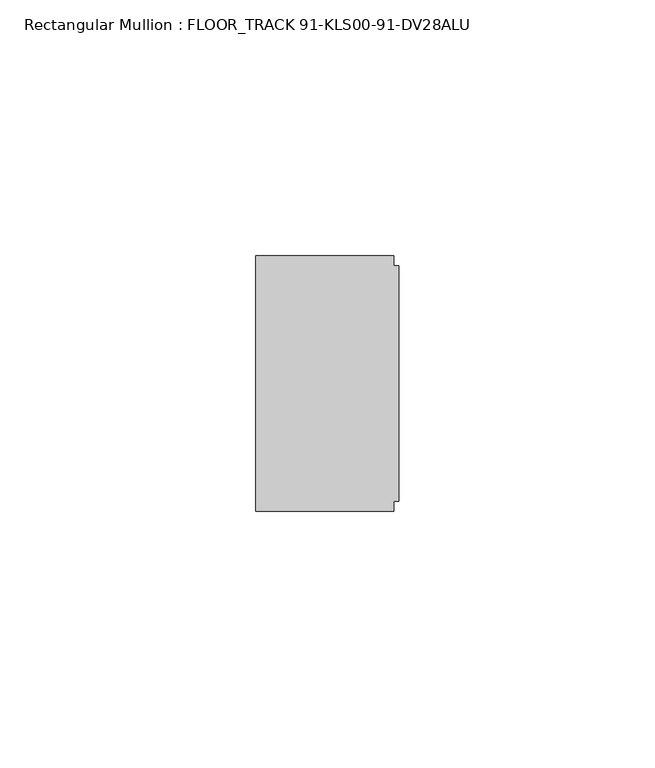
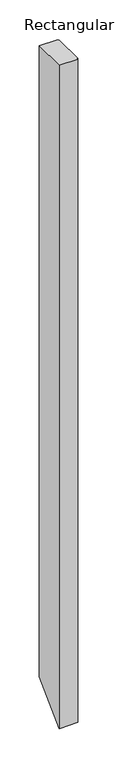
"""IFC4 building model written with IfcOpenShell, lengths in millimetres: member geometry, Rectangular Mullion : FLOOR_TRACK 91-KLS00-91-DV28ALU."""

from ifc_helpers import new_model, si_unit, origin, place, context, project, spatial, faceted_brep, source, transform, mapped, element, save


def rectangular_mullion_floor_track_91_kls00_91_dv28alu_eb7639a6(model_context):
    return source(origin(), model_context, "Body", "Brep", [
        faceted_brep([(-1.0, 25.0, 0.0), (-28.0, 25.0, 0.0), (-28.0, -25.0, 0.0), (-1.0, -25.0, 0.0), (-1.0, -23.0, 0.0), (0.0, -23.0, 0.0), (0.0, 23.0, 0.0), (-1.0, 23.0, 0.0), (-1.0, 25.0, -975.0), (-28.0, 25.0, -975.0), (-28.0, -25.0, -1025.0), (-1.0, -25.0, -1025.0), (-1.0, -23.0, -1023.0), (0.0, -23.0, -1023.0), (0.0, 23.0, -977.0), (-1.0, 23.0, -977.0)], [[[0, 1, 2, 3, 4, 5, 6, 7]], [[1, 0, 8, 9]], [[2, 1, 9, 10]], [[3, 2, 10, 11]], [[4, 3, 11, 12]], [[5, 4, 12, 13]], [[6, 5, 13, 14]], [[7, 6, 14, 15]], [[0, 7, 15, 8]], [[8, 15, 14, 13, 12, 11, 10, 9]]]),
    ])


if __name__ == "__main__":
    model = new_model("IFC4")
    model_context = context("Model", 3, world=origin())
    ifc_project = project(units=[si_unit("LENGTHUNIT", "METRE", prefix="MILLI")], contexts=[model_context])
    site = spatial("IfcSite", under=ifc_project)
    building = spatial("IfcBuilding", under=site)
    placement = place(None, origin())
    rectangular_mullion_floor_track_91_kls00_91_dv28alu_shape = rectangular_mullion_floor_track_91_kls00_91_dv28alu_eb7639a6(model_context)
    element("IfcMember", 1, ObjectType="Rectangular Mullion : FLOOR_TRACK 91-KLS00-91-DV28ALU", at=placement, inside=building, context=model_context, shape_type="MappedRepresentation", body=[
        mapped(rectangular_mullion_floor_track_91_kls00_91_dv28alu_shape, transform((0.0, 0.0, 0.0), x_axis=(1.0, 0.0, 0.0), y_axis=(0.0, 1.0, 0.0), z_axis=(0.0, 0.0, 1.0))),
    ])
    save(model, "model.ifc")
